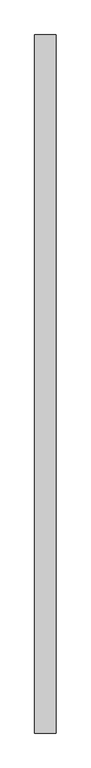
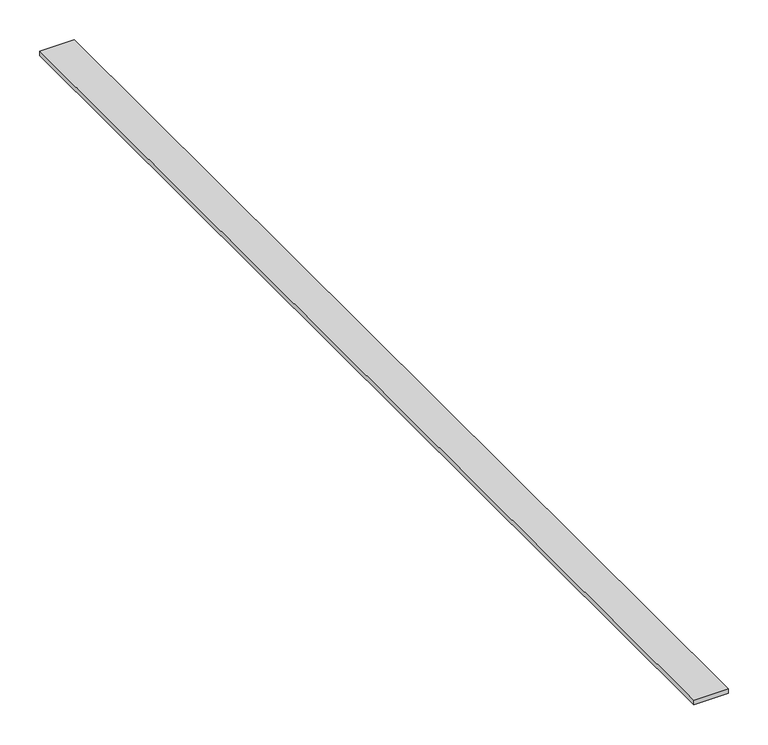
"""IFC4 building model written with IfcOpenShell, lengths in millimetres: proxy geometry."""

import ifcopenshell
import ifcopenshell.guid

model = None  # the IFC model being written
_history = None  # IfcOwnerHistory: only IFC2X3 demands one
_inside = {}  # id of a spatial element -> (the spatial element, [elements in it])
_under = {}  # id of a project, library or spatial element -> (it, [spatial elements below it])
_declared = {}  # id of a project -> (the project, [libraries it declares])
_typed = {}  # id of a type object -> (the type object, [elements of that type])
_made_of = {}  # id of a material, layer set ... -> (it, [elements and type objects made of it])


def new_model(schema):
    """Start an empty IFC model of exactly this schema.

    Asked for "IFC4X3", IfcOpenShell would pick the latest addendum, in which some entities
    have other attributes; the version numbers below select the first issue.
    IFC2X3 requires an IfcOwnerHistory on every rooted entity: one is made here for all.
    """
    global model, _history
    if schema == "IFC4X3":
        model = ifcopenshell.file(schema_version=(4, 3, 0, 0))
    else:
        model = ifcopenshell.file(schema=schema)
    _inside.clear()
    _under.clear()
    _declared.clear()
    _typed.clear()
    _made_of.clear()
    _history = None
    if model.schema == "IFC2X3":
        org = make("IfcOrganization", Name="unknown")
        user = make(
            "IfcPersonAndOrganization",
            ThePerson=make("IfcPerson", FamilyName="unknown"),
            TheOrganization=org,
        )
        app = make(
            "IfcApplication",
            ApplicationDeveloper=org,
            Version="unknown",
            ApplicationFullName="unknown",
            ApplicationIdentifier="unknown",
        )
        _history = make(
            "IfcOwnerHistory",
            OwningUser=user,
            OwningApplication=app,
            ChangeAction="ADDED",
            CreationDate=0,
        )
    return model


def make(cls, **values):
    """One entity of the class cls with the attributes given. An attribute that is None is left unset."""
    return model.create_entity(
        cls, **{name: value for name, value in values.items() if value is not None}
    )


def rooted(cls, **values):
    """An entity with a GlobalId (a new one), such as an element, a storey or a relation."""
    return make(cls, GlobalId=ifcopenshell.guid.new(), OwnerHistory=_history, **values)


def si_unit(unit_type, name, prefix=None):
    """IfcSIUnit, for example si_unit("LENGTHUNIT", "METRE", prefix="MILLI")."""
    return make("IfcSIUnit", UnitType=unit_type, Prefix=prefix, Name=name)


def assignment(units):
    """IfcUnitAssignment: the units of a project."""
    return None if units is None else make("IfcUnitAssignment", Units=units)


def point(xyz):
    """IfcCartesianPoint."""
    return None if xyz is None else make("IfcCartesianPoint", Coordinates=xyz)


def direction(xyz):
    """IfcDirection."""
    return None if xyz is None else make("IfcDirection", DirectionRatios=xyz)


def frame(location, z_axis=None, x_axis=None):
    """IfcAxis2Placement3D, a coordinate frame: its origin and axes. An axis left out is left unset."""
    return make(
        "IfcAxis2Placement3D",
        Location=point(location),
        Axis=direction(z_axis),
        RefDirection=direction(x_axis),
    )


def origin():
    """The frame at (0, 0, 0) with its axes left unset."""
    return frame((0.0, 0.0, 0.0))


def origin_with_axes():
    """The frame at (0, 0, 0) with the z axis (0, 0, 1) and the x axis (1, 0, 0) written out."""
    return frame((0.0, 0.0, 0.0), z_axis=(0.0, 0.0, 1.0), x_axis=(1.0, 0.0, 0.0))


def place(relative_to, where):
    """IfcLocalPlacement: puts the frame where relative to a parent placement (None: the world)."""
    return make(
        "IfcLocalPlacement", PlacementRelTo=relative_to, RelativePlacement=where
    )


def context(
    kind, dimensions, precision=None, world=None, true_north=None, identifier=None
):
    """IfcGeometricRepresentationContext, for example the 3D "Model" context."""
    return make(
        "IfcGeometricRepresentationContext",
        ContextIdentifier=identifier,
        ContextType=kind,
        CoordinateSpaceDimension=dimensions,
        Precision=precision,
        WorldCoordinateSystem=world,
        TrueNorth=true_north,
    )


def project(units=None, contexts=None):
    """IfcProject with its units and contexts."""
    return rooted(
        "IfcProject",
        Name="project",
        RepresentationContexts=contexts,
        UnitsInContext=assignment(units),
    )


def spatial(cls, under=None, at=None, **own):
    """A site, building, storey or space (cls), placed at a placement, below another one or the project."""
    s = rooted(cls, ObjectPlacement=at, **own)
    if under is not None:
        _under.setdefault(under.id(), (under, []))[1].append(s)
    return s


def polyline(points):
    """IfcPolyline through the points."""
    return make("IfcPolyline", Points=[point(p) for p in points])


def outline(outer, holes=None, kind="AREA"):
    """IfcArbitraryClosedProfileDef: a profile drawn as a closed curve; with holes, ...WithVoids."""
    if holes is None:
        return make("IfcArbitraryClosedProfileDef", ProfileType=kind, OuterCurve=outer)
    return make(
        "IfcArbitraryProfileDefWithVoids",
        ProfileType=kind,
        OuterCurve=outer,
        InnerCurves=holes,
    )


def extrude(swept, where, along, depth):
    """IfcExtrudedAreaSolid: the profile swept, set in the frame where, extruded along a direction by depth."""
    return make(
        "IfcExtrudedAreaSolid",
        SweptArea=swept,
        Position=where,
        ExtrudedDirection=direction(along),
        Depth=depth,
    )


def shape(context_of_items, identifier, shape_type, items):
    """IfcShapeRepresentation: the items that make up one representation, for example the "Body"."""
    return make(
        "IfcShapeRepresentation",
        ContextOfItems=context_of_items,
        RepresentationIdentifier=identifier,
        RepresentationType=shape_type,
        Items=items,
    )


def source(mapping_origin, context_of_items, identifier, shape_type, items):
    """IfcRepresentationMap: a shape defined once, which mapped items show again and again."""
    return make(
        "IfcRepresentationMap",
        MappingOrigin=mapping_origin,
        MappedRepresentation=shape(context_of_items, identifier, shape_type, items),
    )


def transform(
    local_origin,
    x_axis=None,
    y_axis=None,
    z_axis=None,
    scale=None,
    scale2=None,
    scale3=None,
    uniform=True,
):
    """IfcCartesianTransformationOperator3D, or its non-uniform kind. x_axis, y_axis, z_axis: its Axis1, 2, 3."""
    if uniform:
        return make(
            "IfcCartesianTransformationOperator3D",
            Axis1=direction(x_axis),
            Axis2=direction(y_axis),
            LocalOrigin=point(local_origin),
            Scale=scale,
            Axis3=direction(z_axis),
        )
    return make(
        "IfcCartesianTransformationOperator3DnonUniform",
        Axis1=direction(x_axis),
        Axis2=direction(y_axis),
        LocalOrigin=point(local_origin),
        Scale=scale,
        Axis3=direction(z_axis),
        Scale2=scale2,
        Scale3=scale3,
    )


def mapped(mapping_source, mapping_target):
    """IfcMappedItem: shows the shape of a source again, moved by a transform."""
    return make(
        "IfcMappedItem", MappingSource=mapping_source, MappingTarget=mapping_target
    )


def made_of(thing, what):
    """Note that an element or type object is made of a material, layer set ...; save() writes the relation."""
    if what is not None:
        _made_of.setdefault(what.id(), (what, []))[1].append(thing)
    return thing


def element(
    cls,
    number,
    at=None,
    inside=None,
    cuts=None,
    type_object=None,
    material=None,
    context=None,
    identifier="Body",
    shape_type=None,
    held_by="IfcProductDefinitionShape",
    body=None,
    shapes=None,
    **own,
):
    """One element of the class cls, such as IfcWall. Its Tag is "e" and its number.

    at: its placement. inside: the storey or other place that contains it. cuts: it is an
    opening in that element (IfcRelVoidsElement). A single representation is given by context,
    identifier, shape_type and body (its items); several are given by shapes. held_by: the class
    of the entity that holds the representations. save() writes the other relations.
    """
    e = rooted(cls, Tag="e%d" % number, ObjectPlacement=at, **own)
    if body is not None:
        shapes = [shape(context, identifier, shape_type, body)]
    if shapes is not None:
        e.Representation = make(held_by, Representations=shapes)
    if inside is not None:
        _inside.setdefault(inside.id(), (inside, []))[1].append(e)
    if cuts is not None:
        rooted(
            "IfcRelVoidsElement", RelatingBuildingElement=cuts, RelatedOpeningElement=e
        )
    if type_object is not None:
        _typed.setdefault(type_object.id(), (type_object, []))[1].append(e)
    return made_of(e, material)


def aggregate(whole, parts):
    """IfcRelAggregates: a whole, such as a stair, and the parts it consists of."""
    return rooted("IfcRelAggregates", RelatingObject=whole, RelatedObjects=parts)


def save(model, path):
    """Write the relations noted so far, then the file.

    IfcRelAggregates (storeys below a building ...), IfcRelContainedInSpatialStructure (elements
    in a storey), IfcRelDefinesByType, IfcRelAssociatesMaterial and IfcRelDeclares: one each for
    every whole, place, type object, material and project.
    """
    for whole, parts in _under.values():
        aggregate(whole, parts)
    for where, things in _inside.values():
        rooted(
            "IfcRelContainedInSpatialStructure",
            RelatedElements=things,
            RelatingStructure=where,
        )
    for kind, things in _typed.values():
        rooted("IfcRelDefinesByType", RelatedObjects=things, RelatingType=kind)
    for what, things in _made_of.values():
        rooted("IfcRelAssociatesMaterial", RelatedObjects=things, RelatingMaterial=what)
    for by, libraries in _declared.values():
        rooted("IfcRelDeclares", RelatingContext=by, RelatedDefinitions=libraries)
    model.write(path)


def generic_models_a68bd0f3(model_context):
    return source(origin(), model_context, "Body", "SweptSolid", [
        extrude(outline(polyline([(26.7544115, -408.8971584), (-23.2455885, -408.8971584), (-23.2455885, 1231.1028416), (26.7544115, 1231.1028416), (26.7544115, -408.8971584)])), origin_with_axes(), (0.0, 0.0, 1.0), 7.0),
    ])


if __name__ == "__main__":
    model = new_model("IFC4")
    model_context = context("Model", 3, world=origin())
    ifc_project = project(units=[si_unit("LENGTHUNIT", "METRE", prefix="MILLI")], contexts=[model_context])
    site = spatial("IfcSite", under=ifc_project)
    building = spatial("IfcBuilding", under=site)
    placement = place(None, origin())
    generic_models_shape = generic_models_a68bd0f3(model_context)
    element("IfcBuildingElementProxy", 1, Name="Generic Models", at=placement, inside=building, context=model_context, shape_type="MappedRepresentation", body=[
        mapped(generic_models_shape, transform((0.0, 0.0, 0.0), x_axis=(1.0, 0.0, 0.0), y_axis=(0.0, 1.0, 0.0), z_axis=(0.0, 0.0, 1.0))),
    ])
    save(model, "model.ifc")
